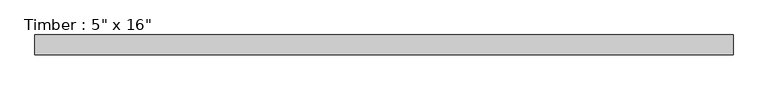
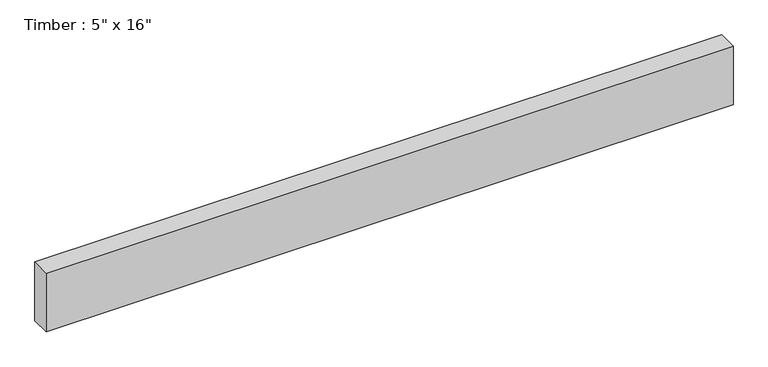
"""IFC4 building model written with IfcOpenShell, lengths in millimetres: beam geometry."""

from ifc_helpers import new_model, si_unit, frame, origin, place, context, project, spatial, polyline, outline, extrude, source, transform, mapped, element, save


def beam_2a8c1cee(model_context):
    return source(origin(), model_context, "Body", "SweptSolid", [
        extrude(outline(polyline([(2252.388084, 63.5), (2252.388084, -63.5), (-2252.388084, -63.5), (-2252.388084, 63.5), (2252.388084, 63.5)])), frame((0.0, 0.0, -203.2), z_axis=(0.0, 0.0, 1.0), x_axis=(1.0, 0.0, 0.0)), (0.0, 0.0, 1.0), 406.4),
    ])


if __name__ == "__main__":
    model = new_model("IFC4")
    model_context = context("Model", 3, world=origin())
    ifc_project = project(units=[si_unit("LENGTHUNIT", "METRE", prefix="MILLI")], contexts=[model_context])
    site = spatial("IfcSite", under=ifc_project)
    building = spatial("IfcBuilding", under=site)
    placement = place(None, origin())
    beam_shape = beam_2a8c1cee(model_context)
    element("IfcBeam", 1, ObjectType="Timber : 5\" x 16\"", at=placement, inside=building, context=model_context, shape_type="MappedRepresentation", body=[
        mapped(beam_shape, transform((0.0, 0.0, 0.0), x_axis=(1.0, 0.0, 0.0), y_axis=(0.0, 1.0, 0.0), z_axis=(0.0, 0.0, 1.0))),
    ])
    save(model, "model.ifc")
